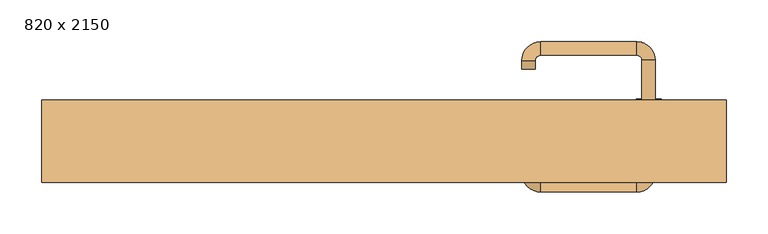
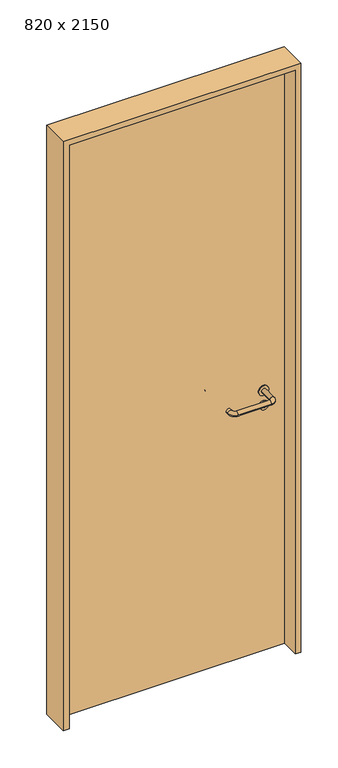
"""IFC4 building model written with IfcOpenShell, lengths in millimetres: door geometry, 820 x 2150."""

import ifcopenshell
import ifcopenshell.guid

model = None  # the IFC model being written
_history = None  # IfcOwnerHistory: only IFC2X3 demands one
_inside = {}  # id of a spatial element -> (the spatial element, [elements in it])
_under = {}  # id of a project, library or spatial element -> (it, [spatial elements below it])
_declared = {}  # id of a project -> (the project, [libraries it declares])
_typed = {}  # id of a type object -> (the type object, [elements of that type])
_made_of = {}  # id of a material, layer set ... -> (it, [elements and type objects made of it])


def new_model(schema):
    """Start an empty IFC model of exactly this schema.

    Asked for "IFC4X3", IfcOpenShell would pick the latest addendum, in which some entities
    have other attributes; the version numbers below select the first issue.
    IFC2X3 requires an IfcOwnerHistory on every rooted entity: one is made here for all.
    """
    global model, _history
    if schema == "IFC4X3":
        model = ifcopenshell.file(schema_version=(4, 3, 0, 0))
    else:
        model = ifcopenshell.file(schema=schema)
    _inside.clear()
    _under.clear()
    _declared.clear()
    _typed.clear()
    _made_of.clear()
    _history = None
    if model.schema == "IFC2X3":
        org = make("IfcOrganization", Name="unknown")
        user = make(
            "IfcPersonAndOrganization",
            ThePerson=make("IfcPerson", FamilyName="unknown"),
            TheOrganization=org,
        )
        app = make(
            "IfcApplication",
            ApplicationDeveloper=org,
            Version="unknown",
            ApplicationFullName="unknown",
            ApplicationIdentifier="unknown",
        )
        _history = make(
            "IfcOwnerHistory",
            OwningUser=user,
            OwningApplication=app,
            ChangeAction="ADDED",
            CreationDate=0,
        )
    return model


def make(cls, **values):
    """One entity of the class cls with the attributes given. An attribute that is None is left unset."""
    return model.create_entity(
        cls, **{name: value for name, value in values.items() if value is not None}
    )


def rooted(cls, **values):
    """An entity with a GlobalId (a new one), such as an element, a storey or a relation."""
    return make(cls, GlobalId=ifcopenshell.guid.new(), OwnerHistory=_history, **values)


def si_unit(unit_type, name, prefix=None):
    """IfcSIUnit, for example si_unit("LENGTHUNIT", "METRE", prefix="MILLI")."""
    return make("IfcSIUnit", UnitType=unit_type, Prefix=prefix, Name=name)


def assignment(units):
    """IfcUnitAssignment: the units of a project."""
    return None if units is None else make("IfcUnitAssignment", Units=units)


def point(xyz):
    """IfcCartesianPoint."""
    return None if xyz is None else make("IfcCartesianPoint", Coordinates=xyz)


def direction(xyz):
    """IfcDirection."""
    return None if xyz is None else make("IfcDirection", DirectionRatios=xyz)


def frame(location, z_axis=None, x_axis=None):
    """IfcAxis2Placement3D, a coordinate frame: its origin and axes. An axis left out is left unset."""
    return make(
        "IfcAxis2Placement3D",
        Location=point(location),
        Axis=direction(z_axis),
        RefDirection=direction(x_axis),
    )


def frame_2d(location, x_axis=None):
    """IfcAxis2Placement2D, a coordinate frame in the plane: its origin and x axis."""
    return make(
        "IfcAxis2Placement2D", Location=point(location), RefDirection=direction(x_axis)
    )


def origin():
    """The frame at (0, 0, 0) with its axes left unset."""
    return frame((0.0, 0.0, 0.0))


def origin_with_axes():
    """The frame at (0, 0, 0) with the z axis (0, 0, 1) and the x axis (1, 0, 0) written out."""
    return frame((0.0, 0.0, 0.0), z_axis=(0.0, 0.0, 1.0), x_axis=(1.0, 0.0, 0.0))


def place(relative_to, where):
    """IfcLocalPlacement: puts the frame where relative to a parent placement (None: the world)."""
    return make(
        "IfcLocalPlacement", PlacementRelTo=relative_to, RelativePlacement=where
    )


def context(
    kind, dimensions, precision=None, world=None, true_north=None, identifier=None
):
    """IfcGeometricRepresentationContext, for example the 3D "Model" context."""
    return make(
        "IfcGeometricRepresentationContext",
        ContextIdentifier=identifier,
        ContextType=kind,
        CoordinateSpaceDimension=dimensions,
        Precision=precision,
        WorldCoordinateSystem=world,
        TrueNorth=true_north,
    )


def project(units=None, contexts=None):
    """IfcProject with its units and contexts."""
    return rooted(
        "IfcProject",
        Name="project",
        RepresentationContexts=contexts,
        UnitsInContext=assignment(units),
    )


def spatial(cls, under=None, at=None, **own):
    """A site, building, storey or space (cls), placed at a placement, below another one or the project."""
    s = rooted(cls, ObjectPlacement=at, **own)
    if under is not None:
        _under.setdefault(under.id(), (under, []))[1].append(s)
    return s


def polyline(points):
    """IfcPolyline through the points."""
    return make("IfcPolyline", Points=[point(p) for p in points])


def circle_curve(where, radius):
    """IfcCircle in the frame where."""
    return make("IfcCircle", Position=where, Radius=radius)


def ellipse_curve(where, semi_axis1, semi_axis2):
    """IfcEllipse in the frame where."""
    return make(
        "IfcEllipse", Position=where, SemiAxis1=semi_axis1, SemiAxis2=semi_axis2
    )


def trimmed(basis, trim1, trim2, sense, master):
    """IfcTrimmedCurve: the piece of a basis curve between two trims."""
    return make(
        "IfcTrimmedCurve",
        BasisCurve=basis,
        Trim1=trim1,
        Trim2=trim2,
        SenseAgreement=sense,
        MasterRepresentation=master,
    )


def segment(curve, same_sense, transition):
    """IfcCompositeCurveSegment."""
    return make(
        "IfcCompositeCurveSegment",
        Transition=transition,
        SameSense=same_sense,
        ParentCurve=curve,
    )


def composite_curve(segments, self_intersect=None):
    """IfcCompositeCurve: segments joined end to end."""
    return make("IfcCompositeCurve", Segments=segments, SelfIntersect=self_intersect)


def outline(outer, holes=None, kind="AREA"):
    """IfcArbitraryClosedProfileDef: a profile drawn as a closed curve; with holes, ...WithVoids."""
    if holes is None:
        return make("IfcArbitraryClosedProfileDef", ProfileType=kind, OuterCurve=outer)
    return make(
        "IfcArbitraryProfileDefWithVoids",
        ProfileType=kind,
        OuterCurve=outer,
        InnerCurves=holes,
    )


def extrude(swept, where, along, depth):
    """IfcExtrudedAreaSolid: the profile swept, set in the frame where, extruded along a direction by depth."""
    return make(
        "IfcExtrudedAreaSolid",
        SweptArea=swept,
        Position=where,
        ExtrudedDirection=direction(along),
        Depth=depth,
    )


def shape(context_of_items, identifier, shape_type, items):
    """IfcShapeRepresentation: the items that make up one representation, for example the "Body"."""
    return make(
        "IfcShapeRepresentation",
        ContextOfItems=context_of_items,
        RepresentationIdentifier=identifier,
        RepresentationType=shape_type,
        Items=items,
    )


def source(mapping_origin, context_of_items, identifier, shape_type, items):
    """IfcRepresentationMap: a shape defined once, which mapped items show again and again."""
    return make(
        "IfcRepresentationMap",
        MappingOrigin=mapping_origin,
        MappedRepresentation=shape(context_of_items, identifier, shape_type, items),
    )


def transform(
    local_origin,
    x_axis=None,
    y_axis=None,
    z_axis=None,
    scale=None,
    scale2=None,
    scale3=None,
    uniform=True,
):
    """IfcCartesianTransformationOperator3D, or its non-uniform kind. x_axis, y_axis, z_axis: its Axis1, 2, 3."""
    if uniform:
        return make(
            "IfcCartesianTransformationOperator3D",
            Axis1=direction(x_axis),
            Axis2=direction(y_axis),
            LocalOrigin=point(local_origin),
            Scale=scale,
            Axis3=direction(z_axis),
        )
    return make(
        "IfcCartesianTransformationOperator3DnonUniform",
        Axis1=direction(x_axis),
        Axis2=direction(y_axis),
        LocalOrigin=point(local_origin),
        Scale=scale,
        Axis3=direction(z_axis),
        Scale2=scale2,
        Scale3=scale3,
    )


def mapped(mapping_source, mapping_target):
    """IfcMappedItem: shows the shape of a source again, moved by a transform."""
    return make(
        "IfcMappedItem", MappingSource=mapping_source, MappingTarget=mapping_target
    )


def made_of(thing, what):
    """Note that an element or type object is made of a material, layer set ...; save() writes the relation."""
    if what is not None:
        _made_of.setdefault(what.id(), (what, []))[1].append(thing)
    return thing


def element(
    cls,
    number,
    at=None,
    inside=None,
    cuts=None,
    type_object=None,
    material=None,
    context=None,
    identifier="Body",
    shape_type=None,
    held_by="IfcProductDefinitionShape",
    body=None,
    shapes=None,
    **own,
):
    """One element of the class cls, such as IfcWall. Its Tag is "e" and its number.

    at: its placement. inside: the storey or other place that contains it. cuts: it is an
    opening in that element (IfcRelVoidsElement). A single representation is given by context,
    identifier, shape_type and body (its items); several are given by shapes. held_by: the class
    of the entity that holds the representations. save() writes the other relations.
    """
    e = rooted(cls, Tag="e%d" % number, ObjectPlacement=at, **own)
    if body is not None:
        shapes = [shape(context, identifier, shape_type, body)]
    if shapes is not None:
        e.Representation = make(held_by, Representations=shapes)
    if inside is not None:
        _inside.setdefault(inside.id(), (inside, []))[1].append(e)
    if cuts is not None:
        rooted(
            "IfcRelVoidsElement", RelatingBuildingElement=cuts, RelatedOpeningElement=e
        )
    if type_object is not None:
        _typed.setdefault(type_object.id(), (type_object, []))[1].append(e)
    return made_of(e, material)


def aggregate(whole, parts):
    """IfcRelAggregates: a whole, such as a stair, and the parts it consists of."""
    return rooted("IfcRelAggregates", RelatingObject=whole, RelatedObjects=parts)


def save(model, path):
    """Write the relations noted so far, then the file.

    IfcRelAggregates (storeys below a building ...), IfcRelContainedInSpatialStructure (elements
    in a storey), IfcRelDefinesByType, IfcRelAssociatesMaterial and IfcRelDeclares: one each for
    every whole, place, type object, material and project.
    """
    for whole, parts in _under.values():
        aggregate(whole, parts)
    for where, things in _inside.values():
        rooted(
            "IfcRelContainedInSpatialStructure",
            RelatedElements=things,
            RelatingStructure=where,
        )
    for kind, things in _typed.values():
        rooted("IfcRelDefinesByType", RelatedObjects=things, RelatingType=kind)
    for what, things in _made_of.values():
        rooted("IfcRelAssociatesMaterial", RelatedObjects=things, RelatingMaterial=what)
    for by, libraries in _declared.values():
        rooted("IfcRelDeclares", RelatingContext=by, RelatedDefinitions=libraries)
    model.write(path)


def plane_surface(at):
    """IfcPlane: the flat surface through the origin of the frame at, square to its z axis."""
    return make("IfcPlane", Position=at)


def cylinder_surface(at, radius):
    """IfcCylindricalSurface: all points at the distance radius from the z axis of the frame at."""
    return make("IfcCylindricalSurface", Position=at, Radius=radius)


def revolved_surface(curve, axis_point, axis_direction):
    """IfcSurfaceOfRevolution: the curve turned about the line through axis_point along axis_direction."""
    return make(
        "IfcSurfaceOfRevolution",
        SweptCurve=make("IfcArbitraryOpenProfileDef", ProfileType="CURVE", Curve=curve),
        AxisPosition=make("IfcAxis1Placement", Location=point(axis_point), Axis=direction(axis_direction)),
    )


def advanced_brep(points, edges, surfaces, faces):
    """IfcAdvancedBrep: a solid bounded by faces that lie on surfaces and meet in shared edges.

    An edge is (start, end): straight between two places in points (the first is 0);
    or (start, end, curve); or (start, end, curve, False) where it runs against its curve.
    A face is (place in surfaces, loops), or (place, loops, False) where it looks against
    its surface's normal. A loop lists edges by number (the first is 1), with a minus sign
    where the edge is run from its end to its start. The first loop is the outer one.
    """
    corners = [point(p) for p in points]
    vertices = [make("IfcVertexPoint", VertexGeometry=c) for c in corners]
    made = []
    for start, end, *more in edges:
        made.append(
            make(
                "IfcEdgeCurve",
                EdgeStart=vertices[start],
                EdgeEnd=vertices[end],
                EdgeGeometry=more[0] if more else make("IfcPolyline", Points=[corners[start], corners[end]]),
                SameSense=more[1] if len(more) > 1 else True,
            )
        )
    hull = []
    for where, loops, *sense in faces:
        bounds = []
        for j, loop in enumerate(loops):
            ring = [make("IfcOrientedEdge", EdgeElement=made[abs(k) - 1], Orientation=k > 0) for k in loop]
            bounds.append(
                make(
                    "IfcFaceOuterBound" if j == 0 else "IfcFaceBound",
                    Bound=make("IfcEdgeLoop", EdgeList=ring),
                    Orientation=True,
                )
            )
        hull.append(make("IfcAdvancedFace", Bounds=bounds, FaceSurface=surfaces[where], SameSense=sense[0] if sense else True))
    return make("IfcAdvancedBrep", Outer=make("IfcClosedShell", CfsFaces=hull))


def door_820_x_2150_763225f8(model_context):
    return source(origin(), model_context, "Body", "SolidModel", [
        extrude(outline(composite_curve([segment(trimmed(circle_curve(frame_2d((897.3605726, 317.0)), 15.0), [point((897.3605726, 332.0))], [point((897.3605726, 302.0))], False, "CARTESIAN"), True, "CONTINUOUS"), segment(trimmed(circle_curve(frame_2d((897.3605726, 317.0)), 15.0), [point((897.3605726, 302.0))], [point((897.3605726, 332.0))], False, "CARTESIAN"), True, "CONTINUOUS")], self_intersect=False), holes=[composite_curve([segment(trimmed(circle_curve(frame_2d((892.5833211, 316.9398032)), 2.0), [point((892.5833211, 318.9398032))], [point((892.5833211, 314.9398032))], True, "CARTESIAN"), True, "CONTINUOUS"), segment(polyline([(892.5833211, 314.9398032), (902.5833211, 314.9398032)]), True, "CONTINUOUS"), segment(trimmed(circle_curve(frame_2d((902.5833211, 316.9398032)), 2.0), [point((902.5833211, 314.9398032))], [point((902.5833211, 318.9398032))], True, "CARTESIAN"), True, "CONTINUOUS"), segment(polyline([(902.5833211, 318.9398032), (892.5833211, 318.9398032)]), True, "CONTINUOUS")], self_intersect=False)]), frame((0.0, 8.65, 0.0), z_axis=(0.0, 1.0, 0.0), x_axis=(0.0, 0.0, 1.0)), (0.0, 0.0, 1.0), 6.35),
        extrude(outline(composite_curve([segment(trimmed(circle_curve(frame_2d((950.0, 317.0)), 17.526), [point((950.0, 334.526))], [point((950.0, 299.474))], False, "CARTESIAN"), True, "CONTINUOUS"), segment(trimmed(circle_curve(frame_2d((950.0, 317.0)), 17.526), [point((950.0, 299.474))], [point((950.0, 334.526))], False, "CARTESIAN"), True, "CONTINUOUS")], self_intersect=False)), frame((0.0, 11.825, 0.0), z_axis=(0.0, 1.0, 0.0), x_axis=(0.0, 0.0, 1.0)), (0.0, 0.0, 1.0), 3.175),
        advanced_brep(
        [(325.0, 15.0, 950.0), (309.0, 15.0, 950.0), (309.0, -38.0, 950.0), (325.0, -38.0, 950.0), (302.8578644, -44.1421356, 950.0), (302.8578644, -60.1421356, 950.0), (187.8578644, -44.1421356, 950.0), (187.8578644, -60.1421356, 950.0), (181.008622, -37.2928932, 950.0), (165.008622, -37.2928932, 950.0), (165.008622, -27.2928932, 950.0), (181.008622, -27.2928932, 950.0)],
        [
            (0, 1, circle_curve(frame((317.0, 15.0, 950.0), z_axis=(0.0, 1.0, 0.0), x_axis=(-1.0, 0.0, 0.0)), 8.0)),
            (1, 0, circle_curve(frame((317.0, 15.0, 950.0), z_axis=(0.0, 1.0, 0.0), x_axis=(-1.0, 0.0, 0.0)), 8.0)),
            (1, 2),
            (2, 3, circle_curve(frame((317.0, -38.0, 950.0), z_axis=(0.0, 1.0, 0.0), x_axis=(-1.0, 0.0, 0.0)), 8.0)),
            (3, 0),
            (3, 2, circle_curve(frame((317.0, -38.0, 950.0), z_axis=(0.0, 1.0, 0.0), x_axis=(-1.0, 0.0, 0.0)), 8.0)),
            (4, 5, circle_curve(frame((302.8578644, -52.1421356, 950.0), z_axis=(1.0, 0.0, 0.0), x_axis=(0.0, 1.0, 0.0)), 8.0)),
            (5, 3, circle_curve(frame((302.8578644, -38.0, 950.0), z_axis=(0.0, 0.0, 1.0), x_axis=(1.0, 0.0, 0.0)), 22.1421356)),
            (2, 4, circle_curve(frame((302.8578644, -38.0, 950.0), z_axis=(0.0, 0.0, -1.0), x_axis=(1.0, 0.0, 0.0)), 6.1421356)),
            (5, 4, circle_curve(frame((302.8578644, -52.1421356, 950.0), z_axis=(1.0, 0.0, 0.0), x_axis=(0.0, 1.0, 0.0)), 8.0)),
            (4, 6),
            (6, 7, circle_curve(frame((187.8578644, -52.1421356, 950.0), z_axis=(1.0, 0.0, 0.0), x_axis=(0.0, 1.0, 0.0)), 8.0)),
            (7, 5),
            (7, 6, circle_curve(frame((187.8578644, -52.1421356, 950.0), z_axis=(1.0, 0.0, 0.0), x_axis=(0.0, 1.0, 0.0)), 8.0)),
            (8, 9, circle_curve(frame((173.008622, -37.2928932, 950.0), z_axis=(0.0, -1.0, 0.0), x_axis=(1.0, 0.0, 0.0)), 8.0)),
            (9, 7, circle_curve(frame((187.8578644, -37.2928932, 950.0), z_axis=(0.0, 0.0, 1.0), x_axis=(0.0, -1.0, 0.0)), 22.8492424)),
            (6, 8, circle_curve(frame((187.8578644, -37.2928932, 950.0), z_axis=(0.0, 0.0, -1.0), x_axis=(0.0, -1.0, 0.0)), 6.8492424)),
            (9, 8, circle_curve(frame((173.008622, -37.2928932, 950.0), z_axis=(0.0, -1.0, 0.0), x_axis=(1.0, 0.0, 0.0)), 8.0)),
            (10, 11, circle_curve(frame((173.008622, -27.2928932, 950.0), z_axis=(0.0, 1.0, 0.0), x_axis=(1.0, 0.0, 0.0)), 8.0)),
            (11, 10, circle_curve(frame((173.008622, -27.2928932, 950.0), z_axis=(0.0, 1.0, 0.0), x_axis=(1.0, 0.0, 0.0)), 8.0)),
            (8, 11),
            (10, 9),
        ],
        [
            plane_surface(frame((317.0, 15.0, 0.0), z_axis=(0.0, 1.0, 0.0), x_axis=(0.0, 0.0, 1.0))),
            cylinder_surface(frame((317.0, 15.0, 950.0), z_axis=(0.0, 1.0, 0.0), x_axis=(-1.0, 0.0, 0.0)), 8.0),
            revolved_surface(trimmed(ellipse_curve(frame((317.0, -38.0, 950.0), z_axis=(0.0, -1.0, 0.0), x_axis=(-1.0, 0.0, 0.0)), 8.0, 8.0), [point((325.0, -38.0, 950.0))], [point((309.0, -38.0, 950.0))], True, "CARTESIAN"), (302.8578644, -38.0, 0.0), (0.0, 0.0, 1.0)),
            revolved_surface(trimmed(ellipse_curve(frame((317.0, -38.0, 950.0), z_axis=(0.0, -1.0, 0.0), x_axis=(-1.0, 0.0, 0.0)), 8.0, 8.0), [point((309.0, -38.0, 950.0))], [point((325.0, -38.0, 950.0))], True, "CARTESIAN"), (302.8578644, -38.0, 0.0), (0.0, 0.0, 1.0)),
            cylinder_surface(frame((302.8578644, -52.1421356, 950.0), z_axis=(1.0, 0.0, 0.0), x_axis=(0.0, 1.0, 0.0)), 8.0),
            revolved_surface(trimmed(ellipse_curve(frame((187.8578644, -52.1421356, 950.0), z_axis=(-1.0, 0.0, 0.0), x_axis=(0.0, 1.0, 0.0)), 8.0, 8.0), [point((187.8578644, -60.1421356, 950.0))], [point((187.8578644, -44.1421356, 950.0))], True, "CARTESIAN"), (187.8578644, -37.2928932, 0.0), (0.0, 0.0, 1.0)),
            revolved_surface(trimmed(ellipse_curve(frame((187.8578644, -52.1421356, 950.0), z_axis=(-1.0, 0.0, 0.0), x_axis=(0.0, 1.0, 0.0)), 8.0, 8.0), [point((187.8578644, -44.1421356, 950.0))], [point((187.8578644, -60.1421356, 950.0))], True, "CARTESIAN"), (187.8578644, -37.2928932, 0.0), (0.0, 0.0, 1.0)),
            plane_surface(frame((173.008622, -27.2928932, 0.0), z_axis=(0.0, 1.0, 0.0), x_axis=(0.0, 0.0, 1.0))),
            cylinder_surface(frame((173.008622, -37.2928932, 950.0), z_axis=(0.0, -1.0, 0.0), x_axis=(1.0, 0.0, 0.0)), 8.0),
        ],
        [
            (0, [[1, 2]]),
            (1, [[3, 4, 5, -2]]),
            (1, [[-5, 6, -3, -1]]),
            (2, [[7, 8, -4, 9]]),
            (3, [[10, -9, -6, -8]]),
            (4, [[11, 12, 13, -7]]),
            (4, [[-13, 14, -11, -10]]),
            (5, [[15, 16, -12, 17]]),
            (6, [[18, -17, -14, -16]]),
            (7, [[19, 20]]),
            (8, [[21, -19, 22, -15]]),
            (8, [[-22, -20, -21, -18]]),
        ],
    ),
        extrude(outline(composite_curve([segment(trimmed(circle_curve(frame_2d((0.0, -15.0)), 15.0), [point((0.0, -30.0))], [point((0.0, 0.0))], False, "CARTESIAN"), True, "CONTINUOUS"), segment(trimmed(circle_curve(frame_2d((0.0, -15.0)), 15.0), [point((0.0, 0.0))], [point((0.0, -30.0))], False, "CARTESIAN"), True, "CONTINUOUS")], self_intersect=False), holes=[composite_curve([segment(trimmed(circle_curve(frame_2d((4.7772515, -14.9398032)), 2.0), [point((4.7772515, -16.9398032))], [point((4.7772515, -12.9398032))], True, "CARTESIAN"), True, "CONTINUOUS"), segment(polyline([(4.7772515, -12.9398032), (-5.2227485, -12.9398032)]), True, "CONTINUOUS"), segment(trimmed(circle_curve(frame_2d((-5.2227485, -14.9398032)), 2.0), [point((-5.2227485, -12.9398032))], [point((-5.2227485, -16.9398032))], True, "CARTESIAN"), True, "CONTINUOUS"), segment(polyline([(-5.2227485, -16.9398032), (4.7772515, -16.9398032)]), True, "CONTINUOUS")], self_intersect=False)]), frame((302.0, 45.0, 897.3605726), z_axis=(1.8870575173328306e-12, 1.0, 0.0), x_axis=(0.0, 0.0, -1.0)), (0.0, 0.0, 1.0), 6.35),
        extrude(outline(composite_curve([segment(trimmed(circle_curve(frame_2d((0.0, -17.526)), 17.526), [point((0.0, -35.052))], [point((0.0, 0.0))], False, "CARTESIAN"), True, "CONTINUOUS"), segment(trimmed(circle_curve(frame_2d((0.0, -17.526)), 17.526), [point((0.0, 0.0))], [point((0.0, -35.052))], False, "CARTESIAN"), True, "CONTINUOUS")], self_intersect=False)), frame((299.474, 45.0, 950.0), z_axis=(1.8870575173328306e-12, 1.0, 0.0), x_axis=(0.0, 0.0, -1.0)), (0.0, 0.0, 1.0), 3.175),
        advanced_brep(
        [(325.0, 45.0, 950.0), (309.0, 45.0, 950.0), (325.0, 98.0, 950.0), (309.0, 98.0, 950.0), (302.8578644, 104.1421356, 950.0), (302.8578644, 120.1421356, 950.0), (187.8578644, 120.1421356, 950.0), (187.8578644, 104.1421356, 950.0), (181.008622, 97.2928932, 950.0), (165.008622, 97.2928932, 950.0), (165.008622, 87.2928932, 950.0), (181.008622, 87.2928932, 950.0)],
        [
            (0, 1, circle_curve(frame((317.0, 45.0, 950.0), z_axis=(-1.888672253512351e-12, -1.0, 0.0), x_axis=(-1.0, 1.888672253512351e-12, 0.0)), 8.0)),
            (1, 0, circle_curve(frame((317.0, 45.0, 950.0), z_axis=(-1.888672253512351e-12, -1.0, 0.0), x_axis=(-1.0, 1.888672253512351e-12, 0.0)), 8.0)),
            (0, 2),
            (2, 3, circle_curve(frame((317.0, 98.0, 950.0), z_axis=(-1.888672253512351e-12, -1.0, 0.0), x_axis=(-1.0, 1.888672253512351e-12, 0.0)), 8.0)),
            (3, 1),
            (3, 2, circle_curve(frame((317.0, 98.0, 950.0), z_axis=(-1.888672253512351e-12, -1.0, 0.0), x_axis=(-1.0, 1.888672253512351e-12, 0.0)), 8.0)),
            (4, 3, circle_curve(frame((302.8578644, 98.0, 950.0), z_axis=(0.0, 0.0, -1.0), x_axis=(1.0, -1.880717803715015e-12, 0.0)), 6.1421356)),
            (2, 5, circle_curve(frame((302.8578644, 98.0, 950.0), z_axis=(0.0, 0.0, 1.0), x_axis=(1.0, -1.880717803715015e-12, 0.0)), 22.1421356)),
            (5, 4, circle_curve(frame((302.8578644, 112.1421356, 950.0), z_axis=(1.0, -1.913702061528922e-12, 0.0), x_axis=(-1.913702061528922e-12, -1.0, 0.0)), 8.0)),
            (4, 5, circle_curve(frame((302.8578644, 112.1421356, 950.0), z_axis=(1.0, -1.913702061528922e-12, 0.0), x_axis=(-1.913702061528922e-12, -1.0, 0.0)), 8.0)),
            (5, 6),
            (6, 7, circle_curve(frame((187.8578644, 112.1421356, 950.0), z_axis=(1.0, -1.913719828541269e-12, 0.0), x_axis=(-1.913719828541269e-12, -1.0, 0.0)), 8.0)),
            (7, 4),
            (7, 6, circle_curve(frame((187.8578644, 112.1421356, 950.0), z_axis=(1.0, -1.913719828541269e-12, 0.0), x_axis=(-1.913719828541269e-12, -1.0, 0.0)), 8.0)),
            (8, 7, circle_curve(frame((187.8578644, 97.2928932, 950.0), z_axis=(0.0, 0.0, -1.0), x_axis=(1.9120873253494017e-12, 1.0, 0.0)), 6.8492424)),
            (6, 9, circle_curve(frame((187.8578644, 97.2928932, 950.0), z_axis=(0.0, 0.0, 1.0), x_axis=(1.9120873253494017e-12, 1.0, 0.0)), 22.8492424)),
            (9, 8, circle_curve(frame((173.008622, 97.2928932, 950.0), z_axis=(1.890448610351751e-12, 1.0, 0.0), x_axis=(1.0, -1.890448610351751e-12, 0.0)), 8.0)),
            (8, 9, circle_curve(frame((173.008622, 97.2928932, 950.0), z_axis=(1.8888942981172756e-12, 1.0, 0.0), x_axis=(1.0, -1.8888942981172756e-12, 0.0)), 8.0)),
            (10, 11, circle_curve(frame((173.008622, 87.2928932, 950.0), z_axis=(-1.8903642334018795e-12, -1.0, 0.0), x_axis=(1.0, -1.8903642334018795e-12, 0.0)), 8.0)),
            (11, 10, circle_curve(frame((173.008622, 87.2928932, 950.0), z_axis=(-1.8903642334018795e-12, -1.0, 0.0), x_axis=(1.0, -1.8903642334018795e-12, 0.0)), 8.0)),
            (9, 10),
            (11, 8),
        ],
        [
            plane_surface(frame((317.0, 45.0, 0.0), z_axis=(-1.8870575173328306e-12, -1.0, 0.0), x_axis=(0.0, 0.0, 1.0))),
            cylinder_surface(frame((317.0, 45.0, 950.0), z_axis=(-1.888672253512351e-12, -1.0, 0.0), x_axis=(-1.0, 1.888672253512351e-12, 0.0)), 8.0),
            revolved_surface(trimmed(ellipse_curve(frame((317.0, 98.0, 950.0), z_axis=(-1.8823325398945356e-12, -1.0, 0.0), x_axis=(-1.0, 1.8823325398945356e-12, 0.0)), 8.0, 8.0), [point((325.0, 98.0, 950.0))], [point((309.0, 98.0, 950.0))], True, "CARTESIAN"), (302.8578644, 98.0, 0.0), (0.0, 0.0, 1.0)),
            revolved_surface(trimmed(ellipse_curve(frame((317.0, 98.0, 950.0), z_axis=(-1.8823325398945356e-12, -1.0, 0.0), x_axis=(-1.0, 1.8823325398945356e-12, 0.0)), 8.0, 8.0), [point((309.0, 98.0, 950.0))], [point((325.0, 98.0, 950.0))], True, "CARTESIAN"), (302.8578644, 98.0, 0.0), (0.0, 0.0, 1.0)),
            cylinder_surface(frame((302.8578644, 112.1421356, 950.0), z_axis=(1.0, -1.913719828541269e-12, 0.0), x_axis=(-1.913719828541269e-12, -1.0, 0.0)), 8.0),
            revolved_surface(trimmed(ellipse_curve(frame((187.8578644, 112.1421356, 950.0), z_axis=(1.0, -1.913702061528922e-12, 0.0), x_axis=(-1.913702061528922e-12, -1.0, 0.0)), 8.0, 8.0), [point((187.8578644, 120.1421356, 950.0))], [point((187.8578644, 104.1421356, 950.0))], True, "CARTESIAN"), (187.8578644, 97.2928932, 0.0), (0.0, 0.0, 1.0)),
            revolved_surface(trimmed(ellipse_curve(frame((187.8578644, 112.1421356, 950.0), z_axis=(1.0, -1.913702061528922e-12, 0.0), x_axis=(-1.913702061528922e-12, -1.0, 0.0)), 8.0, 8.0), [point((187.8578644, 104.1421356, 950.0))], [point((187.8578644, 120.1421356, 950.0))], True, "CARTESIAN"), (187.8578644, 97.2928932, 0.0), (0.0, 0.0, 1.0)),
            plane_surface(frame((173.008622, 87.2928932, 0.0), z_axis=(-1.8887494972223595e-12, -1.0, 0.0), x_axis=(0.0, 0.0, 1.0))),
            cylinder_surface(frame((173.008622, 97.2928932, 950.0), z_axis=(1.8903642334018795e-12, 1.0, 0.0), x_axis=(1.0, -1.8903642334018795e-12, 0.0)), 8.0),
        ],
        [
            (0, [[1, 2]]),
            (1, [[-1, 3, 4, 5]]),
            (1, [[-2, -5, 6, -3]]),
            (2, [[7, -4, 8, 9]]),
            (3, [[-8, -6, -7, 10]]),
            (4, [[-9, 11, 12, 13]]),
            (4, [[-10, -13, 14, -11]]),
            (5, [[15, -12, 16, 17]]),
            (6, [[-16, -14, -15, 18]]),
            (7, [[19, 20]]),
            (8, [[-17, 21, -20, 22]]),
            (8, [[-18, -22, -19, -21]]),
        ],
    ),
        extrude(outline(polyline([(2130.0, 390.0), (0.0, 390.0), (0.0, 410.0), (2150.0, 410.0), (2150.0, -410.0), (0.0, -410.0), (0.0, -390.0), (2130.0, -390.0), (2130.0, 390.0)])), frame((0.0, -49.0, 0.0), z_axis=(0.0, 1.0, 0.0), x_axis=(0.0, 0.0, 1.0)), (0.0, 0.0, 1.0), 99.0),
        extrude(outline(polyline([(-390.0, 45.0), (390.0, 45.0), (390.0, 15.0), (-390.0, 15.0), (-390.0, 45.0)])), origin_with_axes(), (0.0, 0.0, 1.0), 2130.0),
    ])


if __name__ == "__main__":
    model = new_model("IFC4")
    model_context = context("Model", 3, world=origin())
    ifc_project = project(units=[si_unit("LENGTHUNIT", "METRE", prefix="MILLI")], contexts=[model_context])
    site = spatial("IfcSite", under=ifc_project)
    building = spatial("IfcBuilding", under=site)
    placement = place(None, origin())
    door_820_x_2150_shape = door_820_x_2150_763225f8(model_context)
    element("IfcDoor", 1, ObjectType="820 x 2150", at=placement, inside=building, context=model_context, shape_type="MappedRepresentation", body=[
        mapped(door_820_x_2150_shape, transform((0.0, 0.0, 0.0), x_axis=(1.0, 0.0, 0.0), y_axis=(0.0, 1.0, 0.0), z_axis=(0.0, 0.0, 1.0))),
    ])
    save(model, "model.ifc")
